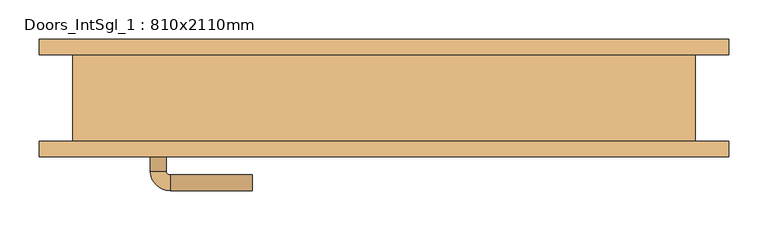
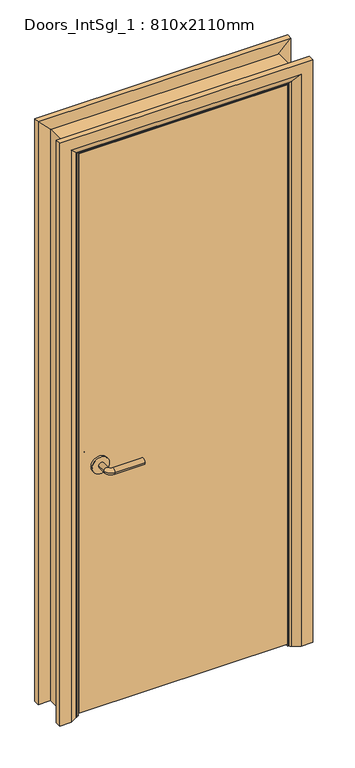
"""IFC4 building model written with IfcOpenShell, lengths in millimetres: door geometry, Doors_IntSgl_1 : 810x2110mm."""

from ifc_helpers import new_model, si_unit, point, frame, frame_2d, origin, place, context, project, spatial, polyline, circle_curve, ellipse_curve, trimmed, segment, composite_curve, outline, extrude, faceted_brep, source, transform, mapped, element, save
from ifc_brep_helpers import plane_surface, cylinder_surface, revolved_surface, advanced_brep


def doors_intsgl_1_810x2110mm_ed765e22(model_context):
    return source(origin(), model_context, "Body", "SolidModel", [
        advanced_brep(
        [(-298.0, -9.0, 900.0), (-278.0, -9.0, 900.0), (-298.0, 21.0, 900.0), (-278.0, 21.0, 900.0), (-273.0, 26.0, 900.0), (-273.0, 46.0, 900.0), (-168.0, 46.0, 900.0), (-168.0, 26.0, 900.0)],
        [
            (0, 1, circle_curve(frame((-288.0, -9.0, 900.0), z_axis=(0.0, -1.0, 0.0), x_axis=(1.0, 0.0, 0.0)), 10.0)),
            (1, 0, circle_curve(frame((-288.0, -9.0, 900.0), z_axis=(0.0, -1.0, 0.0), x_axis=(1.0, 0.0, 0.0)), 10.0)),
            (0, 2),
            (2, 3, circle_curve(frame((-288.0, 21.0, 900.0), z_axis=(0.0, -1.0, 0.0), x_axis=(1.0, 0.0, 0.0)), 10.0)),
            (3, 1),
            (3, 2, circle_curve(frame((-288.0, 21.0, 900.0), z_axis=(0.0, -1.0, 0.0), x_axis=(1.0, 0.0, 0.0)), 10.0)),
            (4, 3, circle_curve(frame((-273.0, 21.0, 900.0), z_axis=(0.0, 0.0, 1.0), x_axis=(-1.0, 0.0, 0.0)), 5.0)),
            (2, 5, circle_curve(frame((-273.0, 21.0, 900.0), z_axis=(0.0, 0.0, -1.0), x_axis=(-1.0, 0.0, 0.0)), 25.0)),
            (5, 4, circle_curve(frame((-273.0, 36.0, 900.0), z_axis=(-1.0, 0.0, 0.0), x_axis=(0.0, -1.0, 0.0)), 10.0)),
            (4, 5, circle_curve(frame((-273.0, 36.0, 900.0), z_axis=(-1.0, 0.0, 0.0), x_axis=(0.0, -1.0, 0.0)), 10.0)),
            (6, 7, circle_curve(frame((-168.0, 36.0, 900.0), z_axis=(1.0, 0.0, 0.0), x_axis=(0.0, -1.0, 0.0)), 10.0)),
            (7, 6, circle_curve(frame((-168.0, 36.0, 900.0), z_axis=(1.0, 0.0, 0.0), x_axis=(0.0, -1.0, 0.0)), 10.0)),
            (5, 6),
            (7, 4),
        ],
        [
            plane_surface(frame((-288.0, -9.0, 900.0), z_axis=(0.0, -1.0, 0.0), x_axis=(0.0, 0.0, 1.0))),
            cylinder_surface(frame((-288.0, -9.0, 900.0), z_axis=(0.0, -1.0, 0.0), x_axis=(1.0, 0.0, 0.0)), 10.0),
            revolved_surface(trimmed(ellipse_curve(frame((-288.0, 21.0, 900.0), z_axis=(0.0, -1.0, 0.0), x_axis=(1.0, 0.0, 0.0)), 10.0, 10.0), [point((-298.0, 21.0, 900.0))], [point((-278.0, 21.0, 900.0))], True, "CARTESIAN"), (-273.0, 21.0, 900.0), (0.0, 0.0, -1.0)),
            revolved_surface(trimmed(ellipse_curve(frame((-288.0, 21.0, 900.0), z_axis=(0.0, -1.0, 0.0), x_axis=(1.0, 0.0, 0.0)), 10.0, 10.0), [point((-278.0, 21.0, 900.0))], [point((-298.0, 21.0, 900.0))], True, "CARTESIAN"), (-273.0, 21.0, 900.0), (0.0, 0.0, -1.0)),
            plane_surface(frame((-168.0, 36.0, 900.0), z_axis=(1.0, 0.0, 0.0), x_axis=(0.0, 0.0, 1.0))),
            cylinder_surface(frame((-273.0, 36.0, 900.0), z_axis=(-1.0, 0.0, 0.0), x_axis=(0.0, -1.0, 0.0)), 10.0),
        ],
        [
            (0, [[1, 2]]),
            (1, [[-1, 3, 4, 5]]),
            (1, [[-2, -5, 6, -3]]),
            (2, [[7, -4, 8, 9]]),
            (3, [[-8, -6, -7, 10]]),
            (4, [[11, 12]]),
            (5, [[-9, 13, -12, 14]]),
            (5, [[-10, -14, -11, -13]]),
        ],
    ),
        extrude(outline(composite_curve([segment(trimmed(circle_curve(frame_2d((900.0, -290.5)), 30.0), [point((900.0, -320.5))], [point((900.0, -260.5))], False, "CARTESIAN"), True, "CONTINUOUS"), segment(trimmed(circle_curve(frame_2d((900.0, -290.5)), 30.0), [point((900.0, -260.5))], [point((900.0, -320.5))], False, "CARTESIAN"), True, "CONTINUOUS")], self_intersect=False)), frame((0.0, -17.0, 0.0), z_axis=(0.0, 1.0, 0.0), x_axis=(0.0, 0.0, 1.0)), (0.0, 0.0, 1.0), 8.0),
        advanced_brep(
        [(-298.0, -63.0, 900.0), (-278.0, -63.0, 900.0), (-278.0, -93.0, 900.0), (-298.0, -93.0, 900.0), (-273.0, -98.0, 900.0), (-273.0, -118.0, 900.0), (-168.0, -118.0, 900.0), (-168.0, -98.0, 900.0)],
        [
            (0, 1, circle_curve(frame((-288.0, -63.0, 900.0), z_axis=(0.0, 1.0, 0.0), x_axis=(1.0, 0.0, 0.0)), 10.0)),
            (1, 0, circle_curve(frame((-288.0, -63.0, 900.0), z_axis=(0.0, 1.0, 0.0), x_axis=(1.0, 0.0, 0.0)), 10.0)),
            (1, 2),
            (2, 3, circle_curve(frame((-288.0, -93.0, 900.0), z_axis=(0.0, 1.0, 0.0), x_axis=(1.0, 0.0, 0.0)), 10.0)),
            (3, 0),
            (3, 2, circle_curve(frame((-288.0, -93.0, 900.0), z_axis=(0.0, 1.0, 0.0), x_axis=(1.0, 0.0, 0.0)), 10.0)),
            (4, 5, circle_curve(frame((-273.0, -108.0, 900.0), z_axis=(-1.0, 0.0, 0.0), x_axis=(0.0, 1.0, 0.0)), 10.0)),
            (5, 3, circle_curve(frame((-273.0, -93.0, 900.0), z_axis=(0.0, 0.0, -1.0), x_axis=(-1.0, 0.0, 0.0)), 25.0)),
            (2, 4, circle_curve(frame((-273.0, -93.0, 900.0), z_axis=(0.0, 0.0, 1.0), x_axis=(-1.0, 0.0, 0.0)), 5.0)),
            (5, 4, circle_curve(frame((-273.0, -108.0, 900.0), z_axis=(-1.0, 0.0, 0.0), x_axis=(0.0, 1.0, 0.0)), 10.0)),
            (6, 7, circle_curve(frame((-168.0, -108.0, 900.0), z_axis=(1.0, 0.0, 0.0), x_axis=(0.0, 1.0, 0.0)), 10.0)),
            (7, 6, circle_curve(frame((-168.0, -108.0, 900.0), z_axis=(1.0, 0.0, 0.0), x_axis=(0.0, 1.0, 0.0)), 10.0)),
            (4, 7),
            (6, 5),
        ],
        [
            plane_surface(frame((-288.0, -63.0, 900.0), z_axis=(0.0, 1.0, 0.0), x_axis=(0.0, 0.0, 1.0))),
            cylinder_surface(frame((-288.0, -63.0, 900.0), z_axis=(0.0, 1.0, 0.0), x_axis=(1.0, 0.0, 0.0)), 10.0),
            revolved_surface(trimmed(ellipse_curve(frame((-288.0, -93.0, 900.0), z_axis=(0.0, -1.0, 0.0), x_axis=(1.0, 0.0, 0.0)), 10.0, 10.0), [point((-298.0, -93.0, 900.0))], [point((-278.0, -93.0, 900.0))], True, "CARTESIAN"), (-273.0, -93.0, 900.0), (0.0, 0.0, -1.0)),
            revolved_surface(trimmed(ellipse_curve(frame((-288.0, -93.0, 900.0), z_axis=(0.0, -1.0, 0.0), x_axis=(1.0, 0.0, 0.0)), 10.0, 10.0), [point((-278.0, -93.0, 900.0))], [point((-298.0, -93.0, 900.0))], True, "CARTESIAN"), (-273.0, -93.0, 900.0), (0.0, 0.0, -1.0)),
            plane_surface(frame((-168.0, -108.0, 900.0), z_axis=(1.0, 0.0, 0.0), x_axis=(0.0, 0.0, 1.0))),
            cylinder_surface(frame((-273.0, -108.0, 900.0), z_axis=(-1.0, 0.0, 0.0), x_axis=(0.0, 1.0, 0.0)), 10.0),
        ],
        [
            (0, [[1, 2]]),
            (1, [[3, 4, 5, -2]]),
            (1, [[-5, 6, -3, -1]]),
            (2, [[7, 8, -4, 9]]),
            (3, [[10, -9, -6, -8]]),
            (4, [[11, 12]]),
            (5, [[13, -11, 14, -7]]),
            (5, [[-14, -12, -13, -10]]),
        ],
    ),
        extrude(outline(composite_curve([segment(trimmed(circle_curve(frame_2d((900.0, -290.5)), 30.0), [point((900.0, -320.5))], [point((900.0, -260.5))], False, "CARTESIAN"), True, "CONTINUOUS"), segment(trimmed(circle_curve(frame_2d((900.0, -290.5)), 30.0), [point((900.0, -260.5))], [point((900.0, -320.5))], False, "CARTESIAN"), True, "CONTINUOUS")], self_intersect=False)), frame((0.0, -63.0, 0.0), z_axis=(0.0, 1.0, 0.0), x_axis=(0.0, 0.0, 1.0)), (0.0, 0.0, 1.0), 8.0),
        extrude(outline(polyline([(363.0, -17.0), (363.0, -55.0), (-363.0, -55.0), (-363.0, -17.0), (363.0, -17.0)])), frame((0.0, 0.0, 8.0), z_axis=(0.0, 0.0, 1.0), x_axis=(1.0, 0.0, 0.0)), (0.0, 0.0, 1.0), 2060.0),
        advanced_brep(
        [(440.0, -75.0, 0.0), (400.0, -75.0, 0.0), (374.0, -61.0, 0.0), (370.0, -55.0, 0.0), (440.0, -55.0, 0.0), (440.0, -55.0, 2145.0), (440.0, -75.0, 2145.0), (370.0, -55.0, 2075.0), (-370.0, -55.0, 2075.0), (-370.0, -55.0, 0.0), (-440.0, -55.0, 0.0), (-440.0, -55.0, 2145.0), (374.0, -61.0, 2079.0), (400.0, -75.0, 2105.0), (-440.0, -75.0, 2145.0), (-440.0, -75.0, 0.0), (-400.0, -75.0, 0.0), (-400.0, -75.0, 2105.0), (-374.0, -61.0, 0.0), (-374.0, -61.0, 2079.0)],
        [
            (0, 1),
            (1, 2),
            (2, 3, circle_curve(frame((378.0, -54.0, 0.0), z_axis=(0.0, 0.0, -1.0), x_axis=(1.0, 0.0, 0.0)), 8.0622577)),
            (3, 4),
            (4, 0),
            (4, 5),
            (5, 6),
            (6, 0),
            (3, 7),
            (7, 8),
            (8, 9),
            (9, 10),
            (10, 11),
            (11, 5),
            (2, 12),
            (12, 7, ellipse_curve(frame((378.0, -54.0, 2083.0), z_axis=(0.7071067811865475, 0.0, -0.7071067811865475), x_axis=(-0.7071067811865474, 0.0, -0.7071067811865476)), 11.4017543, 8.0622577)),
            (1, 13),
            (13, 12),
            (6, 14),
            (14, 15),
            (15, 16),
            (16, 17),
            (17, 13),
            (10, 15),
            (14, 11),
            (9, 18, circle_curve(frame((-378.0, -54.0, 0.0), z_axis=(0.0, 0.0, -1.0), x_axis=(-1.0, 0.0, 0.0)), 8.0622577)),
            (18, 16),
            (19, 18),
            (8, 19, ellipse_curve(frame((-378.0, -54.0, 2083.0), z_axis=(-0.7071067811865475, 0.0, -0.7071067811865475), x_axis=(-0.7071067811865474, 0.0, 0.7071067811865476)), 11.4017543, 8.0622577)),
            (19, 17),
            (12, 19),
        ],
        [
            plane_surface(frame((370.0, -55.0, 0.0), z_axis=(0.0, 0.0, -1.0), x_axis=(0.0, 1.0, 0.0))),
            plane_surface(frame((440.0, -75.0, 0.0), z_axis=(1.0, 0.0, 0.0), x_axis=(0.0, 0.0, 1.0))),
            plane_surface(frame((440.0, -55.0, 0.0), z_axis=(0.0, 1.0, 0.0), x_axis=(0.0, 0.0, 1.0))),
            cylinder_surface(frame((378.0, -54.0, 0.0), z_axis=(0.0, 0.0, -1.0), x_axis=(1.0, 0.0, 0.0)), 8.0622577),
            plane_surface(frame((374.0, -61.0, 0.0), z_axis=(-0.4740998230350126, -0.880471099922178, 0.0), x_axis=(0.0, 0.0, 1.0))),
            plane_surface(frame((400.0, -75.0, 0.0), z_axis=(0.0, -1.0, 0.0), x_axis=(0.0, 0.0, 1.0))),
            plane_surface(frame((-440.0, -75.0, 2145.0), z_axis=(-1.0, 0.0, 0.0), x_axis=(0.0, 0.0, -1.0))),
            plane_surface(frame((-370.0, -55.0, 0.0), z_axis=(0.0, 0.0, -1.0), x_axis=(0.0, 1.0, 0.0))),
            cylinder_surface(frame((-378.0, -54.0, 2075.0), z_axis=(0.0, 0.0, 1.0), x_axis=(-1.0, 0.0, 0.0)), 8.0622577),
            plane_surface(frame((-374.0, -61.0, 2079.0), z_axis=(0.47409982303501824, -0.8804710999221749, 0.0), x_axis=(0.0, 0.0, -1.0))),
            plane_surface(frame((440.0, -75.0, 2145.0), z_axis=(0.0, 0.0, 1.0), x_axis=(-1.0, 0.0, 0.0))),
            cylinder_surface(frame((370.0, -54.0, 2083.0), z_axis=(1.0, 0.0, 0.0), x_axis=(0.0, 0.0, 1.0)), 8.0622577),
            plane_surface(frame((374.0, -61.0, 2079.0), z_axis=(0.0, -0.8804710999221764, -0.4740998230350154), x_axis=(-1.0, 0.0, 0.0))),
        ],
        [
            (0, [[1, 2, 3, 4, 5]]),
            (1, [[6, 7, 8, -5]]),
            (2, [[9, 10, 11, 12, 13, 14, -6, -4]]),
            (3, [[15, 16, -9, -3]]),
            (4, [[17, 18, -15, -2]]),
            (5, [[-8, 19, 20, 21, 22, 23, -17, -1]]),
            (6, [[-13, 24, -20, 25]]),
            (7, [[-24, -12, 26, 27, -21]]),
            (8, [[28, -26, -11, 29]]),
            (9, [[-22, -27, -28, 30]]),
            (10, [[-14, -25, -19, -7]]),
            (11, [[31, -29, -10, -16]]),
            (12, [[-23, -30, -31, -18]]),
        ],
    ),
        extrude(outline(polyline([(0.0, -346.0), (2051.0, -346.0), (2051.0, 346.0), (0.0, 346.0), (0.0, 365.0), (2070.0, 365.0), (2070.0, -365.0), (0.0, -365.0), (0.0, -346.0)])), frame((0.0, -15.0, 0.0), z_axis=(0.0, 1.0, 0.0), x_axis=(0.0, 0.0, 1.0)), (0.0, 0.0, 1.0), 32.0),
        advanced_brep(
        [(-440.0, 75.0, 0.0), (-400.0, 75.0, 0.0), (-374.0, 61.0, 0.0), (-370.0, 55.0, 0.0), (-440.0, 55.0, 0.0), (-440.0, 55.0, 2145.0), (-440.0, 75.0, 2145.0), (-370.0, 55.0, 2075.0), (-374.0, 61.0, 2079.0), (-400.0, 75.0, 2105.0), (440.0, 75.0, 0.0), (440.0, 55.0, 0.0), (370.0, 55.0, 0.0), (374.0, 61.0, 0.0), (400.0, 75.0, 0.0), (440.0, 75.0, 2145.0), (400.0, 75.0, 2105.0), (374.0, 61.0, 2079.0), (370.0, 55.0, 2075.0), (440.0, 55.0, 2145.0)],
        [
            (0, 1),
            (1, 2),
            (2, 3, circle_curve(frame((-378.0, 54.0, 0.0), z_axis=(0.0, 0.0, -1.0), x_axis=(-1.0, 0.0, 0.0)), 8.0622577)),
            (3, 4),
            (4, 0),
            (4, 5),
            (5, 6),
            (6, 0),
            (3, 7),
            (7, 5),
            (2, 8),
            (8, 7, ellipse_curve(frame((-378.0, 54.0, 2083.0), z_axis=(-0.7071067811865475, 0.0, -0.7071067811865475), x_axis=(0.7071067811865474, 0.0, -0.7071067811865476)), 11.4017543, 8.0622577)),
            (1, 9),
            (9, 8),
            (6, 9),
            (10, 11),
            (11, 12),
            (12, 13, circle_curve(frame((378.0, 54.0, 0.0), z_axis=(0.0, 0.0, -1.0), x_axis=(1.0, 0.0, 0.0)), 8.0622577)),
            (13, 14),
            (14, 10),
            (15, 10),
            (14, 16),
            (16, 15),
            (13, 17),
            (17, 16),
            (12, 18),
            (18, 17, ellipse_curve(frame((378.0, 54.0, 2083.0), z_axis=(0.7071067811865475, 0.0, -0.7071067811865475), x_axis=(0.7071067811865474, 0.0, 0.7071067811865476)), 11.4017543, 8.0622577)),
            (11, 19),
            (19, 18),
            (15, 19),
            (5, 19),
            (15, 6),
            (7, 18),
            (8, 17),
            (9, 16),
        ],
        [
            plane_surface(frame((-370.0, 127.8010989, 0.0), z_axis=(0.0, 0.0, -1.0), x_axis=(1.0, 0.0, 0.0))),
            plane_surface(frame((-440.0, 75.0, 0.0), z_axis=(-1.0, 0.0, 0.0), x_axis=(0.0, 0.0, 1.0))),
            plane_surface(frame((-440.0, 55.0, 0.0), z_axis=(0.0, -1.0, 0.0), x_axis=(0.0, 0.0, 1.0))),
            cylinder_surface(frame((-378.0, 54.0, 0.0), z_axis=(0.0, 0.0, -1.0), x_axis=(-1.0, 0.0, 0.0)), 8.0622577),
            plane_surface(frame((-374.0, 61.0, 0.0), z_axis=(0.4740998230350183, 0.8804710999221749, 0.0), x_axis=(0.0, 0.0, 1.0))),
            plane_surface(frame((-400.0, 75.0, 0.0), z_axis=(0.0, 1.0, 0.0), x_axis=(0.0, 0.0, 1.0))),
            plane_surface(frame((370.0, 127.8010989, 0.0), z_axis=(0.0, 0.0, -1.0), x_axis=(-1.0, 0.0, 0.0))),
            plane_surface(frame((400.0, 75.0, 2105.0), z_axis=(0.0, 1.0, 0.0), x_axis=(0.0, 0.0, -1.0))),
            plane_surface(frame((374.0, 61.0, 2079.0), z_axis=(-0.4740998230350183, 0.8804710999221749, 0.0), x_axis=(0.0, 0.0, -1.0))),
            cylinder_surface(frame((378.0, 54.0, 2075.0), z_axis=(0.0, 0.0, 1.0), x_axis=(1.0, 0.0, 0.0)), 8.0622577),
            plane_surface(frame((440.0, 55.0, 2145.0), z_axis=(0.0, -1.0, 0.0), x_axis=(0.0, 0.0, -1.0))),
            plane_surface(frame((440.0, 75.0, 2145.0), z_axis=(1.0, 0.0, 0.0), x_axis=(0.0, 0.0, -1.0))),
            plane_surface(frame((-440.0, 75.0, 2145.0), z_axis=(0.0, 0.0, 1.0), x_axis=(1.0, 0.0, 0.0))),
            plane_surface(frame((-440.0, 55.0, 2145.0), z_axis=(0.0, -1.0, 0.0), x_axis=(1.0, 0.0, 0.0))),
            cylinder_surface(frame((-370.0, 54.0, 2083.0), z_axis=(-1.0, 0.0, 0.0), x_axis=(0.0, 0.0, 1.0)), 8.0622577),
            plane_surface(frame((-374.0, 61.0, 2079.0), z_axis=(0.0, 0.8804710999221749, -0.4740998230350183), x_axis=(1.0, 0.0, 0.0))),
            plane_surface(frame((-400.0, 75.0, 2105.0), z_axis=(0.0, 1.0, 0.0), x_axis=(1.0, 0.0, 0.0))),
        ],
        [
            (0, [[1, 2, 3, 4, 5]]),
            (1, [[6, 7, 8, -5]]),
            (2, [[9, 10, -6, -4]]),
            (3, [[11, 12, -9, -3]]),
            (4, [[13, 14, -11, -2]]),
            (5, [[-8, 15, -13, -1]]),
            (6, [[16, 17, 18, 19, 20]]),
            (7, [[21, -20, 22, 23]]),
            (8, [[-22, -19, 24, 25]]),
            (9, [[-24, -18, 26, 27]]),
            (10, [[-26, -17, 28, 29]]),
            (11, [[-28, -16, -21, 30]]),
            (12, [[31, -30, 32, -7]]),
            (13, [[33, -29, -31, -10]]),
            (14, [[34, -27, -33, -12]]),
            (15, [[35, -25, -34, -14]]),
            (16, [[-32, -23, -35, -15]]),
        ],
    ),
        faceted_brep([(-365.0, -55.0, 0.0), (-397.0, -55.0, 0.0), (-397.0, 55.0, 0.0), (-365.0, 55.0, 0.0), (-365.0, 55.0, 2070.0), (-365.0, -55.0, 2070.0), (-397.0, 55.0, 2102.0), (-397.0, -55.0, 2102.0), (365.0, -55.0, 0.0), (365.0, 55.0, 0.0), (397.0, 55.0, 0.0), (397.0, -55.0, 0.0), (365.0, -55.0, 2070.0), (397.0, -55.0, 2102.0), (397.0, 55.0, 2102.0), (365.0, 55.0, 2070.0)], [[[0, 1, 2, 3]], [[3, 4, 5, 0]], [[2, 6, 4, 3]], [[1, 7, 6, 2]], [[0, 5, 7, 1]], [[8, 9, 10, 11]], [[12, 8, 11, 13]], [[13, 11, 10, 14]], [[14, 10, 9, 15]], [[15, 9, 8, 12]], [[4, 15, 12, 5]], [[6, 14, 15, 4]], [[7, 13, 14, 6]], [[5, 12, 13, 7]]]),
    ])


if __name__ == "__main__":
    model = new_model("IFC4")
    model_context = context("Model", 3, world=origin())
    ifc_project = project(units=[si_unit("LENGTHUNIT", "METRE", prefix="MILLI")], contexts=[model_context])
    site = spatial("IfcSite", under=ifc_project)
    building = spatial("IfcBuilding", under=site)
    placement = place(None, origin())
    doors_intsgl_1_810x2110mm_shape = doors_intsgl_1_810x2110mm_ed765e22(model_context)
    element("IfcDoor", 1, ObjectType="Doors_IntSgl_1 : 810x2110mm", at=placement, inside=building, context=model_context, shape_type="MappedRepresentation", body=[
        mapped(doors_intsgl_1_810x2110mm_shape, transform((0.0, 0.0, 0.0), x_axis=(1.0, 0.0, 0.0), y_axis=(0.0, 1.0, 0.0), z_axis=(0.0, 0.0, 1.0))),
    ])
    save(model, "model.ifc")
